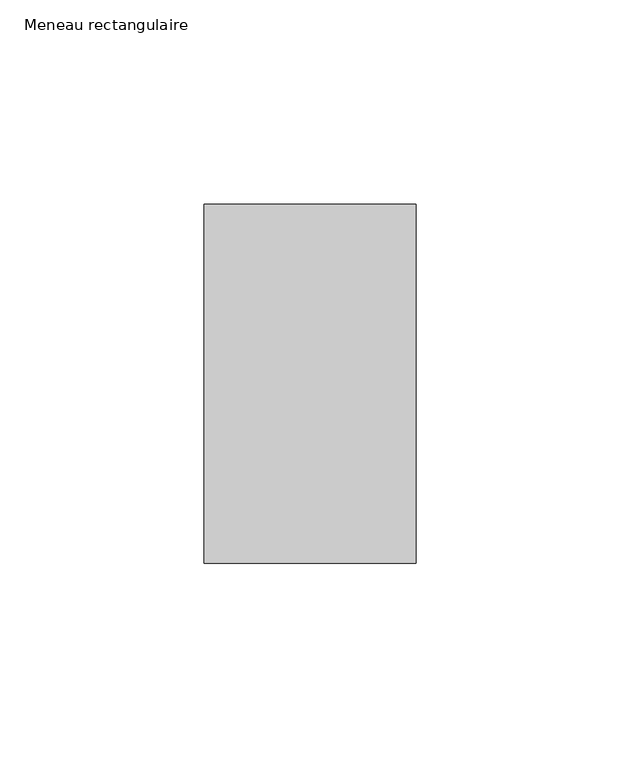
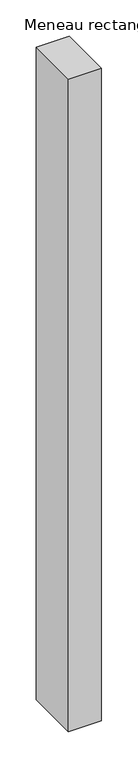
"""IFC4 building model written with IfcOpenShell, lengths in millimetres: member geometry, Meneau rectangulaire."""

import ifcopenshell
import ifcopenshell.guid

model = None  # the IFC model being written
_history = None  # IfcOwnerHistory: only IFC2X3 demands one
_inside = {}  # id of a spatial element -> (the spatial element, [elements in it])
_under = {}  # id of a project, library or spatial element -> (it, [spatial elements below it])
_declared = {}  # id of a project -> (the project, [libraries it declares])
_typed = {}  # id of a type object -> (the type object, [elements of that type])
_made_of = {}  # id of a material, layer set ... -> (it, [elements and type objects made of it])


def new_model(schema):
    """Start an empty IFC model of exactly this schema.

    Asked for "IFC4X3", IfcOpenShell would pick the latest addendum, in which some entities
    have other attributes; the version numbers below select the first issue.
    IFC2X3 requires an IfcOwnerHistory on every rooted entity: one is made here for all.
    """
    global model, _history
    if schema == "IFC4X3":
        model = ifcopenshell.file(schema_version=(4, 3, 0, 0))
    else:
        model = ifcopenshell.file(schema=schema)
    _inside.clear()
    _under.clear()
    _declared.clear()
    _typed.clear()
    _made_of.clear()
    _history = None
    if model.schema == "IFC2X3":
        org = make("IfcOrganization", Name="unknown")
        user = make(
            "IfcPersonAndOrganization",
            ThePerson=make("IfcPerson", FamilyName="unknown"),
            TheOrganization=org,
        )
        app = make(
            "IfcApplication",
            ApplicationDeveloper=org,
            Version="unknown",
            ApplicationFullName="unknown",
            ApplicationIdentifier="unknown",
        )
        _history = make(
            "IfcOwnerHistory",
            OwningUser=user,
            OwningApplication=app,
            ChangeAction="ADDED",
            CreationDate=0,
        )
    return model


def make(cls, **values):
    """One entity of the class cls with the attributes given. An attribute that is None is left unset."""
    return model.create_entity(
        cls, **{name: value for name, value in values.items() if value is not None}
    )


def rooted(cls, **values):
    """An entity with a GlobalId (a new one), such as an element, a storey or a relation."""
    return make(cls, GlobalId=ifcopenshell.guid.new(), OwnerHistory=_history, **values)


def si_unit(unit_type, name, prefix=None):
    """IfcSIUnit, for example si_unit("LENGTHUNIT", "METRE", prefix="MILLI")."""
    return make("IfcSIUnit", UnitType=unit_type, Prefix=prefix, Name=name)


def assignment(units):
    """IfcUnitAssignment: the units of a project."""
    return None if units is None else make("IfcUnitAssignment", Units=units)


def point(xyz):
    """IfcCartesianPoint."""
    return None if xyz is None else make("IfcCartesianPoint", Coordinates=xyz)


def direction(xyz):
    """IfcDirection."""
    return None if xyz is None else make("IfcDirection", DirectionRatios=xyz)


def frame(location, z_axis=None, x_axis=None):
    """IfcAxis2Placement3D, a coordinate frame: its origin and axes. An axis left out is left unset."""
    return make(
        "IfcAxis2Placement3D",
        Location=point(location),
        Axis=direction(z_axis),
        RefDirection=direction(x_axis),
    )


def origin():
    """The frame at (0, 0, 0) with its axes left unset."""
    return frame((0.0, 0.0, 0.0))


def place(relative_to, where):
    """IfcLocalPlacement: puts the frame where relative to a parent placement (None: the world)."""
    return make(
        "IfcLocalPlacement", PlacementRelTo=relative_to, RelativePlacement=where
    )


def context(
    kind, dimensions, precision=None, world=None, true_north=None, identifier=None
):
    """IfcGeometricRepresentationContext, for example the 3D "Model" context."""
    return make(
        "IfcGeometricRepresentationContext",
        ContextIdentifier=identifier,
        ContextType=kind,
        CoordinateSpaceDimension=dimensions,
        Precision=precision,
        WorldCoordinateSystem=world,
        TrueNorth=true_north,
    )


def project(units=None, contexts=None):
    """IfcProject with its units and contexts."""
    return rooted(
        "IfcProject",
        Name="project",
        RepresentationContexts=contexts,
        UnitsInContext=assignment(units),
    )


def spatial(cls, under=None, at=None, **own):
    """A site, building, storey or space (cls), placed at a placement, below another one or the project."""
    s = rooted(cls, ObjectPlacement=at, **own)
    if under is not None:
        _under.setdefault(under.id(), (under, []))[1].append(s)
    return s


def polyline(points):
    """IfcPolyline through the points."""
    return make("IfcPolyline", Points=[point(p) for p in points])


def outline(outer, holes=None, kind="AREA"):
    """IfcArbitraryClosedProfileDef: a profile drawn as a closed curve; with holes, ...WithVoids."""
    if holes is None:
        return make("IfcArbitraryClosedProfileDef", ProfileType=kind, OuterCurve=outer)
    return make(
        "IfcArbitraryProfileDefWithVoids",
        ProfileType=kind,
        OuterCurve=outer,
        InnerCurves=holes,
    )


def extrude(swept, where, along, depth):
    """IfcExtrudedAreaSolid: the profile swept, set in the frame where, extruded along a direction by depth."""
    return make(
        "IfcExtrudedAreaSolid",
        SweptArea=swept,
        Position=where,
        ExtrudedDirection=direction(along),
        Depth=depth,
    )


def shape(context_of_items, identifier, shape_type, items):
    """IfcShapeRepresentation: the items that make up one representation, for example the "Body"."""
    return make(
        "IfcShapeRepresentation",
        ContextOfItems=context_of_items,
        RepresentationIdentifier=identifier,
        RepresentationType=shape_type,
        Items=items,
    )


def source(mapping_origin, context_of_items, identifier, shape_type, items):
    """IfcRepresentationMap: a shape defined once, which mapped items show again and again."""
    return make(
        "IfcRepresentationMap",
        MappingOrigin=mapping_origin,
        MappedRepresentation=shape(context_of_items, identifier, shape_type, items),
    )


def transform(
    local_origin,
    x_axis=None,
    y_axis=None,
    z_axis=None,
    scale=None,
    scale2=None,
    scale3=None,
    uniform=True,
):
    """IfcCartesianTransformationOperator3D, or its non-uniform kind. x_axis, y_axis, z_axis: its Axis1, 2, 3."""
    if uniform:
        return make(
            "IfcCartesianTransformationOperator3D",
            Axis1=direction(x_axis),
            Axis2=direction(y_axis),
            LocalOrigin=point(local_origin),
            Scale=scale,
            Axis3=direction(z_axis),
        )
    return make(
        "IfcCartesianTransformationOperator3DnonUniform",
        Axis1=direction(x_axis),
        Axis2=direction(y_axis),
        LocalOrigin=point(local_origin),
        Scale=scale,
        Axis3=direction(z_axis),
        Scale2=scale2,
        Scale3=scale3,
    )


def mapped(mapping_source, mapping_target):
    """IfcMappedItem: shows the shape of a source again, moved by a transform."""
    return make(
        "IfcMappedItem", MappingSource=mapping_source, MappingTarget=mapping_target
    )


def made_of(thing, what):
    """Note that an element or type object is made of a material, layer set ...; save() writes the relation."""
    if what is not None:
        _made_of.setdefault(what.id(), (what, []))[1].append(thing)
    return thing


def element(
    cls,
    number,
    at=None,
    inside=None,
    cuts=None,
    type_object=None,
    material=None,
    context=None,
    identifier="Body",
    shape_type=None,
    held_by="IfcProductDefinitionShape",
    body=None,
    shapes=None,
    **own,
):
    """One element of the class cls, such as IfcWall. Its Tag is "e" and its number.

    at: its placement. inside: the storey or other place that contains it. cuts: it is an
    opening in that element (IfcRelVoidsElement). A single representation is given by context,
    identifier, shape_type and body (its items); several are given by shapes. held_by: the class
    of the entity that holds the representations. save() writes the other relations.
    """
    e = rooted(cls, Tag="e%d" % number, ObjectPlacement=at, **own)
    if body is not None:
        shapes = [shape(context, identifier, shape_type, body)]
    if shapes is not None:
        e.Representation = make(held_by, Representations=shapes)
    if inside is not None:
        _inside.setdefault(inside.id(), (inside, []))[1].append(e)
    if cuts is not None:
        rooted(
            "IfcRelVoidsElement", RelatingBuildingElement=cuts, RelatedOpeningElement=e
        )
    if type_object is not None:
        _typed.setdefault(type_object.id(), (type_object, []))[1].append(e)
    return made_of(e, material)


def aggregate(whole, parts):
    """IfcRelAggregates: a whole, such as a stair, and the parts it consists of."""
    return rooted("IfcRelAggregates", RelatingObject=whole, RelatedObjects=parts)


def save(model, path):
    """Write the relations noted so far, then the file.

    IfcRelAggregates (storeys below a building ...), IfcRelContainedInSpatialStructure (elements
    in a storey), IfcRelDefinesByType, IfcRelAssociatesMaterial and IfcRelDeclares: one each for
    every whole, place, type object, material and project.
    """
    for whole, parts in _under.values():
        aggregate(whole, parts)
    for where, things in _inside.values():
        rooted(
            "IfcRelContainedInSpatialStructure",
            RelatedElements=things,
            RelatingStructure=where,
        )
    for kind, things in _typed.values():
        rooted("IfcRelDefinesByType", RelatedObjects=things, RelatingType=kind)
    for what, things in _made_of.values():
        rooted("IfcRelAssociatesMaterial", RelatedObjects=things, RelatingMaterial=what)
    for by, libraries in _declared.values():
        rooted("IfcRelDeclares", RelatingContext=by, RelatedDefinitions=libraries)
    model.write(path)


def meneau_rectangulaire_f7c58910(model_context):
    return source(origin(), model_context, "Body", "SweptSolid", [
        extrude(outline(polyline([(-52.0, 44.0), (0.0, 44.0), (0.0, -44.0), (-52.0, -44.0), (-52.0, 44.0)])), frame((0.0, 0.0, -1094.6250002), z_axis=(0.0, 0.0, 1.0), x_axis=(1.0, 0.0, 0.0)), (0.0, 0.0, 1.0), 1094.6250002),
    ])


if __name__ == "__main__":
    model = new_model("IFC4")
    model_context = context("Model", 3, world=origin())
    ifc_project = project(units=[si_unit("LENGTHUNIT", "METRE", prefix="MILLI")], contexts=[model_context])
    site = spatial("IfcSite", under=ifc_project)
    building = spatial("IfcBuilding", under=site)
    placement = place(None, origin())
    meneau_rectangulaire_shape = meneau_rectangulaire_f7c58910(model_context)
    element("IfcMember", 1, ObjectType="Meneau rectangulaire", at=placement, inside=building, context=model_context, shape_type="MappedRepresentation", body=[
        mapped(meneau_rectangulaire_shape, transform((0.0, 0.0, 0.0), x_axis=(1.0, 0.0, 0.0), y_axis=(0.0, 1.0, 0.0), z_axis=(0.0, 0.0, 1.0))),
    ])
    save(model, "model.ifc")
